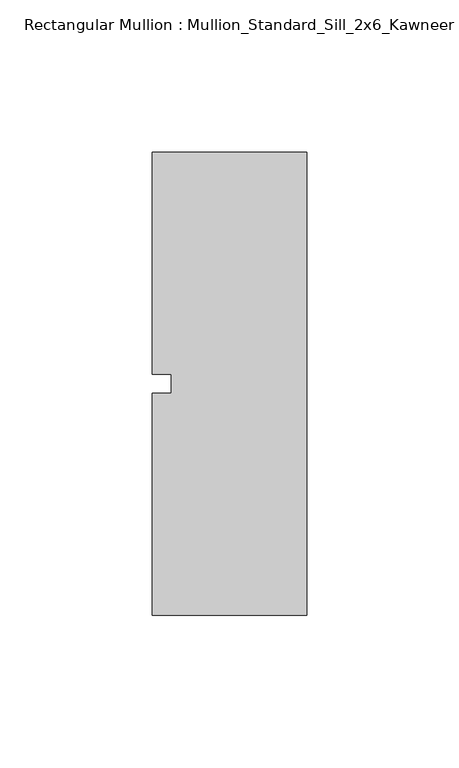
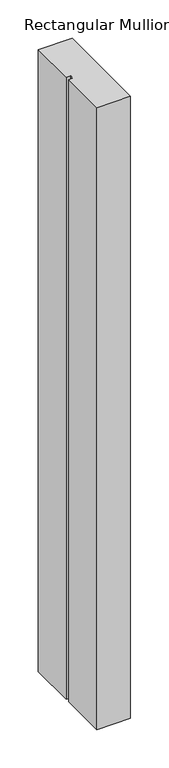
"""IFC4 building model written with IfcOpenShell, lengths in millimetres: member geometry, Rectangular Mullion : Mullion_Standard_Sill_2x6_Kawneer."""

from ifc_helpers import new_model, si_unit, frame, origin, place, context, project, spatial, polyline, outline, extrude, source, transform, mapped, element, save


def rectangular_mullion_mullion_standard_sill_2x6_kawneer_9e220e79(model_context):
    return source(origin(), model_context, "Body", "SweptSolid", [
        extrude(outline(polyline([(-50.8, -76.2), (-50.8, -3.175), (-44.45, -3.175), (-44.45, 3.175), (-50.8, 3.175), (-50.8, 76.2), (0.0, 76.2), (0.0, -76.2), (-50.8, -76.2)])), frame((0.0, 0.0, -990.6), z_axis=(0.0, 0.0, 1.0), x_axis=(1.0, 0.0, 0.0)), (0.0, 0.0, 1.0), 990.6),
    ])


if __name__ == "__main__":
    model = new_model("IFC4")
    model_context = context("Model", 3, world=origin())
    ifc_project = project(units=[si_unit("LENGTHUNIT", "METRE", prefix="MILLI")], contexts=[model_context])
    site = spatial("IfcSite", under=ifc_project)
    building = spatial("IfcBuilding", under=site)
    placement = place(None, origin())
    rectangular_mullion_mullion_standard_sill_2x6_kawneer_shape = rectangular_mullion_mullion_standard_sill_2x6_kawneer_9e220e79(model_context)
    element("IfcMember", 1, ObjectType="Rectangular Mullion : Mullion_Standard_Sill_2x6_Kawneer", at=placement, inside=building, context=model_context, shape_type="MappedRepresentation", body=[
        mapped(rectangular_mullion_mullion_standard_sill_2x6_kawneer_shape, transform((0.0, 0.0, 0.0), x_axis=(1.0, 0.0, 0.0), y_axis=(0.0, 1.0, 0.0), z_axis=(0.0, 0.0, 1.0))),
    ])
    save(model, "model.ifc")
